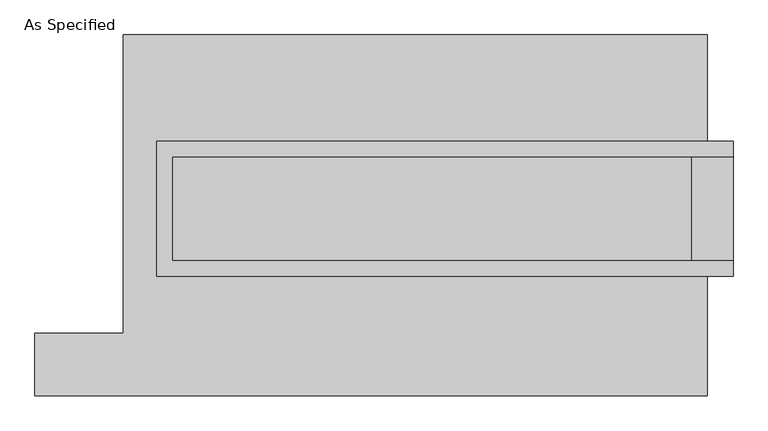
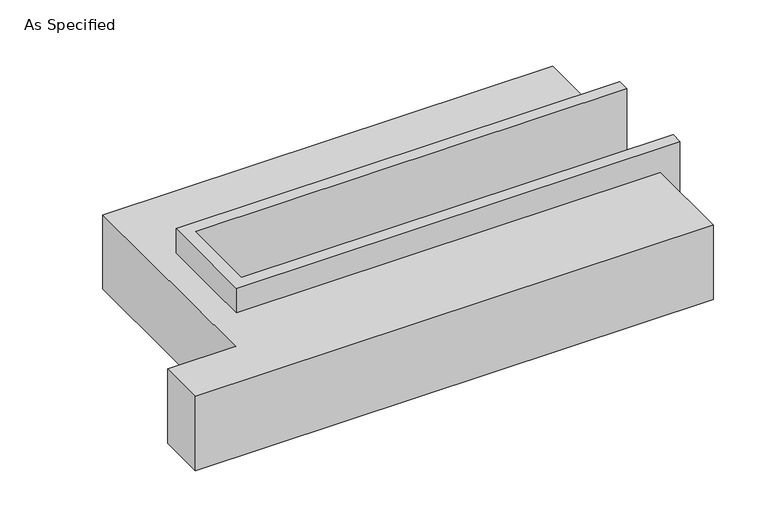
"""IFC4 building model written with IfcOpenShell, lengths in millimetres: proxy geometry, As Specified."""

from ifc_helpers import new_model, si_unit, origin, place, context, project, spatial, faceted_brep, source, transform, mapped, element, save


def as_specified_8026c4c7(model_context):
    return source(origin(), model_context, "Body", "Brep", [
        faceted_brep([(-1263.65, 361.95, 139.7), (-1263.65, 361.95, -393.7), (-1263.65, 285.75, -393.7), (-1263.65, 285.75, -25.4), (-1263.65, -222.25, -25.4), (-1263.65, -222.25, -393.7), (-1263.65, -298.45, -393.7), (-1263.65, -298.45, 139.7), (1555.75, 285.75, 139.7), (1555.75, 285.75, -317.5), (1555.75, -222.25, -317.5), (1555.75, -222.25, 139.7), (1555.75, -298.45, 139.7), (1555.75, -298.45, -393.7), (1555.75, 361.95, -393.7), (1555.75, 361.95, 139.7), (-1187.45, -222.25, 139.7), (-1187.45, 285.75, 139.7), (1352.55, -222.25, -393.7), (1352.55, 285.75, -393.7), (1352.55, -222.25, -317.5), (-1187.45, -222.25, -25.4), (1352.55, 285.75, -317.5), (-1187.45, 285.75, -25.4)], [[[0, 1, 2, 3, 4, 5, 6, 7]], [[8, 9, 10, 11, 12, 13, 14, 15]], [[0, 7, 12, 11, 16, 17, 8, 15]], [[1, 0, 15, 14]], [[14, 13, 6, 5, 18, 19, 2, 1]], [[7, 6, 13, 12]], [[11, 10, 20, 18, 5, 4, 21, 16]], [[10, 9, 22, 20]], [[9, 8, 17, 23, 3, 2, 19, 22]], [[18, 20, 22, 19]], [[23, 21, 4, 3]], [[17, 16, 21, 23]]]),
        faceted_brep([(-1428.75, 882.65, -523.9742188), (1428.75, 882.65, -523.9742188), (1428.75, -882.65, -523.9742188), (-1860.55, -882.65, -523.9742188), (-1860.55, -577.85, -523.9742188), (-1428.75, -577.85, -523.9742188), (1428.75, 882.65, -25.4), (-1428.75, 882.65, -25.4), (-1428.75, -577.85, -25.4), (-1860.55, -577.85, -25.4), (-1860.55, -882.65, -25.4), (1428.75, -882.65, -25.4), (1428.75, -298.45, -25.4), (-1263.65, -298.45, -25.4), (-1263.65, 361.95, -25.4), (1428.75, 361.95, -25.4), (1428.75, 361.95, -393.7), (1428.75, -298.45, -393.7), (-1263.65, -298.45, -393.7), (-1263.65, 361.95, -393.7)], [[[0, 1, 2, 3, 4, 5]], [[6, 7, 8, 9, 10, 11, 12, 13, 14, 15]], [[1, 0, 7, 6]], [[7, 0, 5, 8]], [[1, 6, 15, 16, 17, 12, 11, 2]], [[3, 2, 11, 10]], [[18, 19, 14, 13]], [[14, 19, 16, 15]], [[19, 18, 17, 16]], [[18, 13, 12, 17]], [[5, 4, 9, 8]], [[4, 3, 10, 9]]]),
    ])


if __name__ == "__main__":
    model = new_model("IFC4")
    model_context = context("Model", 3, world=origin())
    ifc_project = project(units=[si_unit("LENGTHUNIT", "METRE", prefix="MILLI")], contexts=[model_context])
    site = spatial("IfcSite", under=ifc_project)
    building = spatial("IfcBuilding", under=site)
    placement = place(None, origin())
    as_specified_shape = as_specified_8026c4c7(model_context)
    element("IfcBuildingElementProxy", 1, Name="As Specified", ObjectType="As Specified", at=placement, inside=building, context=model_context, shape_type="MappedRepresentation", body=[
        mapped(as_specified_shape, transform((0.0, 0.0, 0.0), x_axis=(1.0, 0.0, 0.0), y_axis=(0.0, 1.0, 0.0), z_axis=(0.0, 0.0, 1.0))),
    ])
    save(model, "model.ifc")
